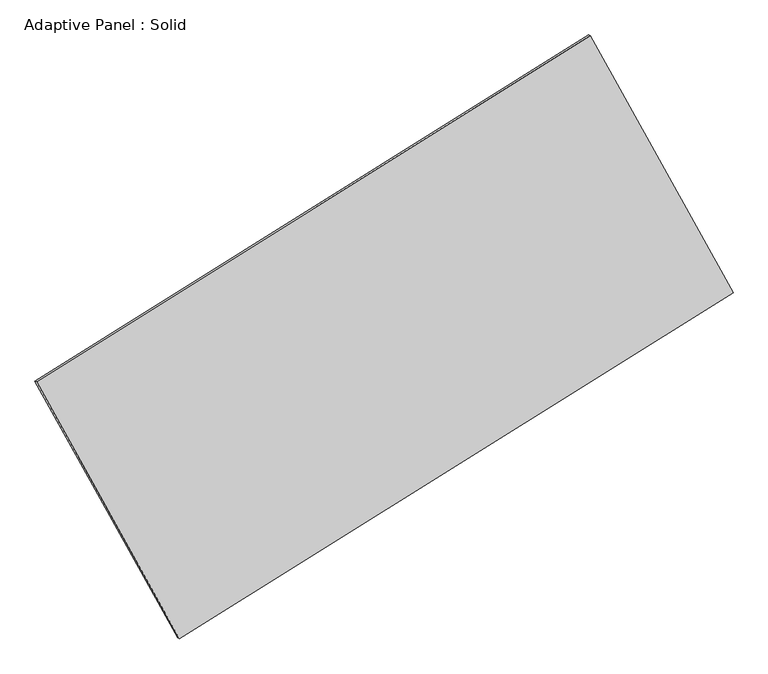
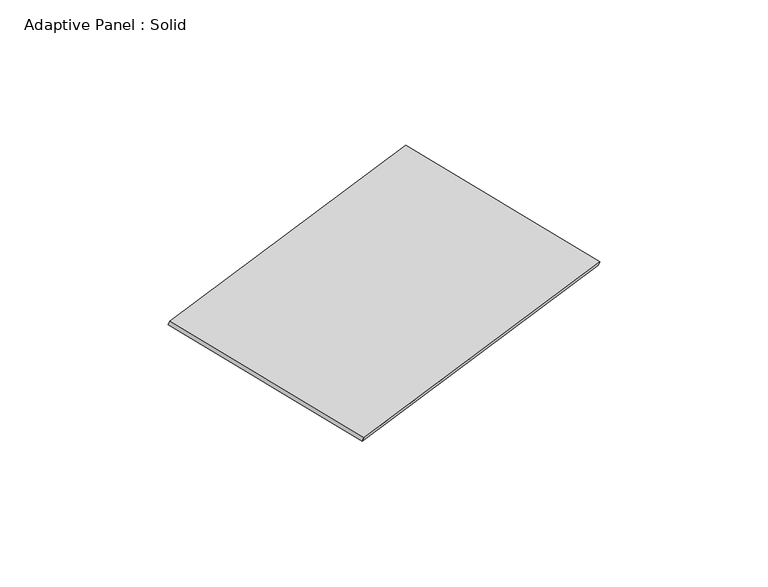
"""IFC4 building model written with IfcOpenShell, lengths in millimetres: plate geometry, Adaptive Panel : Solid."""

from ifc_helpers import new_model, si_unit, frame, origin, place, context, project, spatial, polyline, outline, extrude, source, transform, mapped, element, save


def adaptive_panel_solid_0afdb1e9(model_context):
    return source(origin(), model_context, "Body", "SweptSolid", [
        extrude(outline(polyline([(-1346.0835525, 2941.3275241), (1345.7763135, 2941.3275242), (1346.0835452, -2941.1869339), (-1345.7763061, -2941.4681145), (-1346.0835525, 2941.3275241)])), frame((-650.8226445, -100.0621432, 871.2806301), z_axis=(0.29332711661117594, -0.12760186928687162, 0.9474581603506668), x_axis=(0.4692200146514943, -0.8442552764181729, -0.2589702803229091)), (0.0, 0.0, 1.0), 50.0),
    ])


if __name__ == "__main__":
    model = new_model("IFC4")
    model_context = context("Model", 3, world=origin())
    ifc_project = project(units=[si_unit("LENGTHUNIT", "METRE", prefix="MILLI")], contexts=[model_context])
    site = spatial("IfcSite", under=ifc_project)
    building = spatial("IfcBuilding", under=site)
    placement = place(None, origin())
    adaptive_panel_solid_shape = adaptive_panel_solid_0afdb1e9(model_context)
    element("IfcPlate", 1, ObjectType="Adaptive Panel : Solid", at=placement, inside=building, context=model_context, shape_type="MappedRepresentation", body=[
        mapped(adaptive_panel_solid_shape, transform((0.0, 0.0, 0.0), x_axis=(1.0, 0.0, 0.0), y_axis=(0.0, 1.0, 0.0), z_axis=(0.0, 0.0, 1.0))),
    ])
    save(model, "model.ifc")
